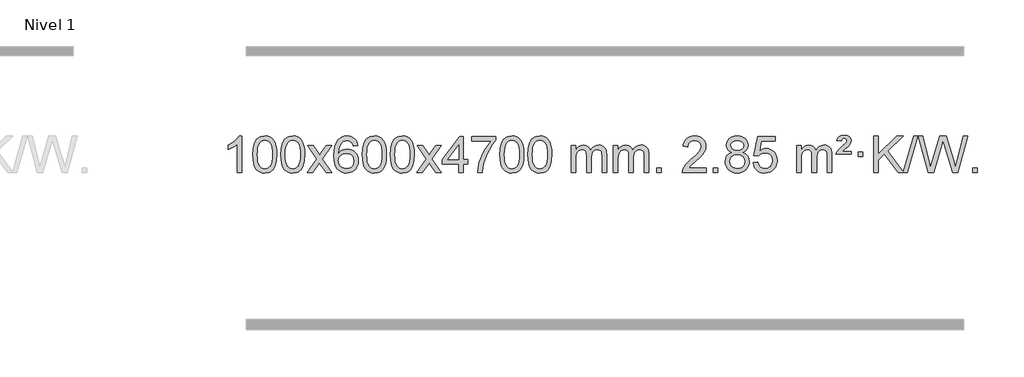
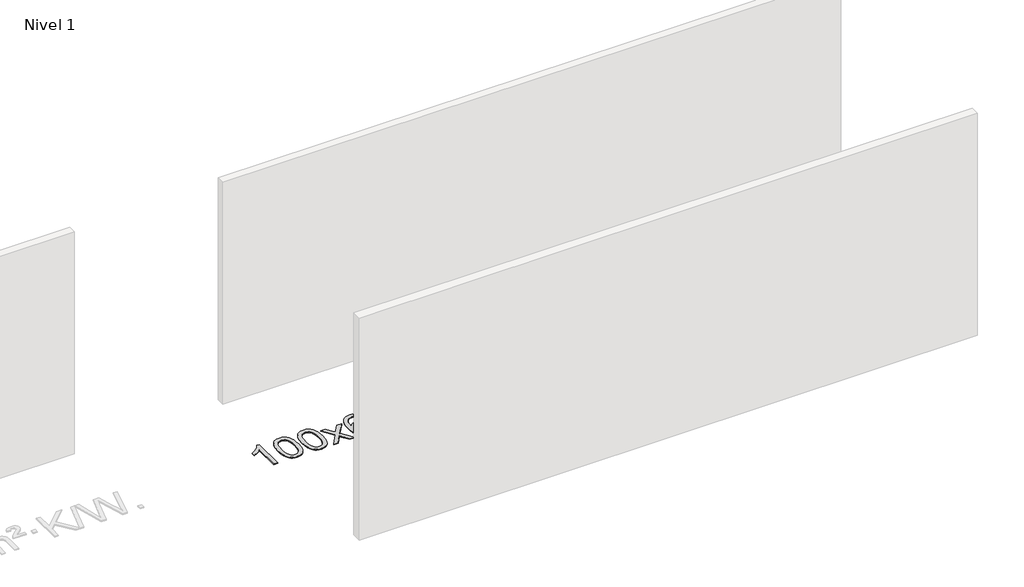
# One storey, part 7 of 12: 1 proxy.
"""IFC4 building model written with IfcOpenShell, lengths in millimetres."""

import ifcopenshell
import ifcopenshell.guid

model = None  # the IFC model being written
_history = None  # IfcOwnerHistory: only IFC2X3 demands one
_inside = {}  # id of a spatial element -> (the spatial element, [elements in it])
_under = {}  # id of a project, library or spatial element -> (it, [spatial elements below it])
_declared = {}  # id of a project -> (the project, [libraries it declares])
_typed = {}  # id of a type object -> (the type object, [elements of that type])
_made_of = {}  # id of a material, layer set ... -> (it, [elements and type objects made of it])


def new_model(schema):
    """Start an empty IFC model of exactly this schema.

    Asked for "IFC4X3", IfcOpenShell would pick the latest addendum, in which some entities
    have other attributes; the version numbers below select the first issue.
    IFC2X3 requires an IfcOwnerHistory on every rooted entity: one is made here for all.
    """
    global model, _history
    if schema == "IFC4X3":
        model = ifcopenshell.file(schema_version=(4, 3, 0, 0))
    else:
        model = ifcopenshell.file(schema=schema)
    _inside.clear()
    _under.clear()
    _declared.clear()
    _typed.clear()
    _made_of.clear()
    _history = None
    if model.schema == "IFC2X3":
        org = make("IfcOrganization", Name="unknown")
        user = make(
            "IfcPersonAndOrganization",
            ThePerson=make("IfcPerson", FamilyName="unknown"),
            TheOrganization=org,
        )
        app = make(
            "IfcApplication",
            ApplicationDeveloper=org,
            Version="unknown",
            ApplicationFullName="unknown",
            ApplicationIdentifier="unknown",
        )
        _history = make(
            "IfcOwnerHistory",
            OwningUser=user,
            OwningApplication=app,
            ChangeAction="ADDED",
            CreationDate=0,
        )
    return model


def make(cls, **values):
    """One entity of the class cls with the attributes given. An attribute that is None is left unset."""
    return model.create_entity(
        cls, **{name: value for name, value in values.items() if value is not None}
    )


def rooted(cls, **values):
    """An entity with a GlobalId (a new one), such as an element, a storey or a relation."""
    return make(cls, GlobalId=ifcopenshell.guid.new(), OwnerHistory=_history, **values)


def si_unit(unit_type, name, prefix=None):
    """IfcSIUnit, for example si_unit("LENGTHUNIT", "METRE", prefix="MILLI")."""
    return make("IfcSIUnit", UnitType=unit_type, Prefix=prefix, Name=name)


def assignment(units):
    """IfcUnitAssignment: the units of a project."""
    return None if units is None else make("IfcUnitAssignment", Units=units)


def point(xyz):
    """IfcCartesianPoint."""
    return None if xyz is None else make("IfcCartesianPoint", Coordinates=xyz)


def direction(xyz):
    """IfcDirection."""
    return None if xyz is None else make("IfcDirection", DirectionRatios=xyz)


def frame(location, z_axis=None, x_axis=None):
    """IfcAxis2Placement3D, a coordinate frame: its origin and axes. An axis left out is left unset."""
    return make(
        "IfcAxis2Placement3D",
        Location=point(location),
        Axis=direction(z_axis),
        RefDirection=direction(x_axis),
    )


def origin():
    """The frame at (0, 0, 0) with its axes left unset."""
    return frame((0.0, 0.0, 0.0))


def origin_with_axes():
    """The frame at (0, 0, 0) with the z axis (0, 0, 1) and the x axis (1, 0, 0) written out."""
    return frame((0.0, 0.0, 0.0), z_axis=(0.0, 0.0, 1.0), x_axis=(1.0, 0.0, 0.0))


def place(relative_to, where):
    """IfcLocalPlacement: puts the frame where relative to a parent placement (None: the world)."""
    return make(
        "IfcLocalPlacement", PlacementRelTo=relative_to, RelativePlacement=where
    )


def context(
    kind, dimensions, precision=None, world=None, true_north=None, identifier=None
):
    """IfcGeometricRepresentationContext, for example the 3D "Model" context."""
    return make(
        "IfcGeometricRepresentationContext",
        ContextIdentifier=identifier,
        ContextType=kind,
        CoordinateSpaceDimension=dimensions,
        Precision=precision,
        WorldCoordinateSystem=world,
        TrueNorth=true_north,
    )


def project(units=None, contexts=None):
    """IfcProject with its units and contexts."""
    return rooted(
        "IfcProject",
        Name="project",
        RepresentationContexts=contexts,
        UnitsInContext=assignment(units),
    )


def spatial(cls, under=None, at=None, **own):
    """A site, building, storey or space (cls), placed at a placement, below another one or the project."""
    s = rooted(cls, ObjectPlacement=at, **own)
    if under is not None:
        _under.setdefault(under.id(), (under, []))[1].append(s)
    return s


def polyline(points):
    """IfcPolyline through the points."""
    return make("IfcPolyline", Points=[point(p) for p in points])


def outline(outer, holes=None, kind="AREA"):
    """IfcArbitraryClosedProfileDef: a profile drawn as a closed curve; with holes, ...WithVoids."""
    if holes is None:
        return make("IfcArbitraryClosedProfileDef", ProfileType=kind, OuterCurve=outer)
    return make(
        "IfcArbitraryProfileDefWithVoids",
        ProfileType=kind,
        OuterCurve=outer,
        InnerCurves=holes,
    )


def extrude(swept, where, along, depth):
    """IfcExtrudedAreaSolid: the profile swept, set in the frame where, extruded along a direction by depth."""
    return make(
        "IfcExtrudedAreaSolid",
        SweptArea=swept,
        Position=where,
        ExtrudedDirection=direction(along),
        Depth=depth,
    )


def shape(context_of_items, identifier, shape_type, items):
    """IfcShapeRepresentation: the items that make up one representation, for example the "Body"."""
    return make(
        "IfcShapeRepresentation",
        ContextOfItems=context_of_items,
        RepresentationIdentifier=identifier,
        RepresentationType=shape_type,
        Items=items,
    )


def made_of(thing, what):
    """Note that an element or type object is made of a material, layer set ...; save() writes the relation."""
    if what is not None:
        _made_of.setdefault(what.id(), (what, []))[1].append(thing)
    return thing


def element(
    cls,
    number,
    at=None,
    inside=None,
    cuts=None,
    type_object=None,
    material=None,
    context=None,
    identifier="Body",
    shape_type=None,
    held_by="IfcProductDefinitionShape",
    body=None,
    shapes=None,
    **own,
):
    """One element of the class cls, such as IfcWall. Its Tag is "e" and its number.

    at: its placement. inside: the storey or other place that contains it. cuts: it is an
    opening in that element (IfcRelVoidsElement). A single representation is given by context,
    identifier, shape_type and body (its items); several are given by shapes. held_by: the class
    of the entity that holds the representations. save() writes the other relations.
    """
    e = rooted(cls, Tag="e%d" % number, ObjectPlacement=at, **own)
    if body is not None:
        shapes = [shape(context, identifier, shape_type, body)]
    if shapes is not None:
        e.Representation = make(held_by, Representations=shapes)
    if inside is not None:
        _inside.setdefault(inside.id(), (inside, []))[1].append(e)
    if cuts is not None:
        rooted(
            "IfcRelVoidsElement", RelatingBuildingElement=cuts, RelatedOpeningElement=e
        )
    if type_object is not None:
        _typed.setdefault(type_object.id(), (type_object, []))[1].append(e)
    return made_of(e, material)


def aggregate(whole, parts):
    """IfcRelAggregates: a whole, such as a stair, and the parts it consists of."""
    return rooted("IfcRelAggregates", RelatingObject=whole, RelatedObjects=parts)


def save(model, path):
    """Write the relations noted so far, then the file.

    IfcRelAggregates (storeys below a building ...), IfcRelContainedInSpatialStructure (elements
    in a storey), IfcRelDefinesByType, IfcRelAssociatesMaterial and IfcRelDeclares: one each for
    every whole, place, type object, material and project.
    """
    for whole, parts in _under.values():
        aggregate(whole, parts)
    for where, things in _inside.values():
        rooted(
            "IfcRelContainedInSpatialStructure",
            RelatedElements=things,
            RelatingStructure=where,
        )
    for kind, things in _typed.values():
        rooted("IfcRelDefinesByType", RelatedObjects=things, RelatingType=kind)
    for what, things in _made_of.values():
        rooted("IfcRelAssociatesMaterial", RelatedObjects=things, RelatingMaterial=what)
    for by, libraries in _declared.values():
        rooted("IfcRelDeclares", RelatingContext=by, RelatedDefinitions=libraries)
    model.write(path)


model = new_model("IFC4")

# Units and contexts
model_context = context("Model", 3, world=origin())
ifc_project = project(units=[si_unit("LENGTHUNIT", "METRE", prefix="MILLI")], contexts=[model_context])

# Site, building, storey
site = spatial("IfcSite", under=ifc_project)
building = spatial("IfcBuilding", under=site)
storey = spatial("IfcBuildingStorey", under=building, Name="Nivel 1", Elevation=0.0)

# Proxy
placement = place(None, origin())
element("IfcBuildingElementProxy", 1, Name="Texto de modelo 1", ObjectType="Texto de modelo 1", at=placement, inside=storey, context=model_context, shape_type="SweptSolid", body=[
    extrude(outline(polyline([(-1875.4615788, -9399.579453), (-1925.6897338, -9399.579453), (-1925.6897338, -9086.4382987), (-1946.6590076, -9103.3976587), (-1973.2691385, -9120.3324932), (-2026.146044, -9145.6918254), (-2026.146044, -9098.2105225), (-1986.6968314, -9076.7507395), (-1952.520594, -9051.219729), (-1925.5793692, -9024.0700378), (-1907.8351943, -8997.7542124), (-1875.4615788, -8997.7542124), (-1875.4615788, -9399.579453)])), origin_with_axes(), (0.0, 0.0, 1.0), 10.0),
    extrude(outline(polyline([(-1756.1697105, -9201.9041943), (-1752.4786278, -9137.5861588), (-1741.4053797, -9086.2911459), (-1723.0603309, -9047.2343407), (-1711.2022679, -9032.0009605), (-1697.5538459, -9019.6309284), (-1682.0690796, -9010.0598651), (-1664.7019837, -9003.2233914), (-1624.3208034, -8997.7542124), (-1593.3696649, -9000.991574), (-1565.6558879, -9010.7036586), (-1542.4793222, -9026.5103217), (-1525.1398175, -9048.0314184), (-1512.0432185, -9075.0830078), (-1501.5953698, -9107.4811488), (-1494.7527647, -9148.6226186), (-1492.4718963, -9201.9041943), (-1496.1261908, -9265.8543477), (-1507.0890743, -9317.0267333), (-1525.3237585, -9356.1203266), (-1537.1542303, -9371.3996922), (-1550.7934553, -9383.8341036), (-1566.2966157, -9393.4695462), (-1583.7188939, -9400.3520052), (-1624.3208034, -9405.8579724), (-1651.9855294, -9403.4667394), (-1676.5109958, -9396.2930405), (-1697.8972024, -9384.3368757), (-1716.1441494, -9367.5982449), (-1733.6553324, -9337.3399508), (-1746.1633202, -9299.6381776), (-1753.6681129, -9254.4929255), (-1756.1697105, -9201.9041943)]), holes=[polyline([(-1705.9415554, -9201.8060924), (-1704.4700274, -9245.4706195), (-1700.0554435, -9280.8148822), (-1692.6978036, -9307.8388804), (-1682.3971077, -9326.5426142), (-1669.9381708, -9339.2682656), (-1656.1058078, -9348.3580165), (-1640.9000186, -9353.8118671), (-1624.3208034, -9355.6298173), (-1607.7415881, -9353.8057357), (-1592.535799, -9348.3334911), (-1578.703436, -9339.2130833), (-1566.2444991, -9326.4445124), (-1555.9438032, -9307.7101217), (-1548.5861633, -9280.6922549), (-1544.1715794, -9245.3909118), (-1542.7000514, -9201.8060924), (-1544.1225284, -9159.2973278), (-1548.3899596, -9124.5753989), (-1555.5023448, -9097.6403055), (-1565.4596842, -9078.4920476), (-1577.7101546, -9065.1440625), (-1591.7019332, -9055.6097875), (-1607.4350198, -9049.8892225), (-1624.9094146, -9047.9823675), (-1641.4027907, -9049.6623619), (-1656.3510624, -9054.7023452), (-1669.7542298, -9063.1023175), (-1681.6122928, -9074.8622786), (-1692.2563452, -9095.708925), (-1699.8592397, -9123.8151094), (-1704.4209765, -9159.1808319), (-1705.9415554, -9201.8060924)])]), origin_with_axes(), (0.0, 0.0, 1.0), 10.0),
    extrude(outline(polyline([(-1448.5222606, -9201.9041943), (-1444.8311779, -9137.5861588), (-1433.7579299, -9086.2911459), (-1415.4128811, -9047.2343407), (-1403.5548181, -9032.0009605), (-1389.9063961, -9019.6309284), (-1374.4216298, -9010.0598651), (-1357.0545339, -9003.2233914), (-1316.6733536, -8997.7542124), (-1285.722215, -9000.991574), (-1258.0084381, -9010.7036586), (-1234.8318724, -9026.5103217), (-1217.4923677, -9048.0314184), (-1204.3957686, -9075.0830078), (-1193.94792, -9107.4811488), (-1187.1053149, -9148.6226186), (-1184.8244465, -9201.9041943), (-1188.478741, -9265.8543477), (-1199.4416244, -9317.0267333), (-1217.6763087, -9356.1203266), (-1229.5067805, -9371.3996922), (-1243.1460055, -9383.8341036), (-1258.6491659, -9393.4695462), (-1276.071444, -9400.3520052), (-1316.6733536, -9405.8579724), (-1344.3380796, -9403.4667394), (-1368.8635459, -9396.2930405), (-1390.2497526, -9384.3368757), (-1408.4966996, -9367.5982449), (-1426.0078825, -9337.3399508), (-1438.5158704, -9299.6381776), (-1446.0206631, -9254.4929255), (-1448.5222606, -9201.9041943)]), holes=[polyline([(-1398.2941056, -9201.8060924), (-1396.8225776, -9245.4706195), (-1392.4079936, -9280.8148822), (-1385.0503537, -9307.8388804), (-1374.7496579, -9326.5426142), (-1362.290721, -9339.2682656), (-1348.4583579, -9348.3580165), (-1333.2525688, -9353.8118671), (-1316.6733536, -9355.6298173), (-1300.0941383, -9353.8057357), (-1284.8883492, -9348.3334911), (-1271.0559862, -9339.2130833), (-1258.5970493, -9326.4445124), (-1248.2963534, -9307.7101217), (-1240.9387135, -9280.6922549), (-1236.5241295, -9245.3909118), (-1235.0526016, -9201.8060924), (-1236.4750786, -9159.2973278), (-1240.7425098, -9124.5753989), (-1247.854895, -9097.6403055), (-1257.8122343, -9078.4920476), (-1270.0627048, -9065.1440625), (-1284.0544833, -9055.6097875), (-1299.78757, -9049.8892225), (-1317.2619648, -9047.9823675), (-1333.7553409, -9049.6623619), (-1348.7036126, -9054.7023452), (-1362.10678, -9063.1023175), (-1373.9648429, -9074.8622786), (-1384.6088953, -9095.708925), (-1392.2117899, -9123.8151094), (-1396.7735266, -9159.1808319), (-1398.2941056, -9201.8060924)])]), origin_with_axes(), (0.0, 0.0, 1.0), 10.0),
    extrude(outline(polyline([(-1159.7103689, -9399.579453), (-1052.3869282, -9251.2494325), (-1153.4318496, -9104.4890419), (-1093.0011005, -9104.4890419), (-1044.2444734, -9175.122385), (-1021.4848406, -9208.4770192), (-1001.7663657, -9181.2047007), (-946.2407099, -9104.4890419), (-885.8099608, -9104.4890419), (-991.9561791, -9251.2494325), (-889.7340354, -9399.579453), (-950.1647845, -9399.579453), (-1011.6746541, -9310.4048574), (-1022.9563686, -9294.1199477), (-1099.2796199, -9399.579453), (-1159.7103689, -9399.579453)])), origin_with_axes(), (0.0, 0.0, 1.0), 10.0),
    extrude(outline(polyline([(-600.9221437, -9104.4890419), (-651.1502988, -9110.7675613), (-659.2437027, -9085.874213), (-670.1820607, -9068.8780648), (-692.9662189, -9053.2062918), (-720.5083176, -9047.9823675), (-743.8565616, -9051.0235253), (-765.8313794, -9060.1469988), (-784.7037258, -9079.3627017), (-800.1179814, -9105.8134171), (-810.5290419, -9143.227016), (-814.3918028, -9195.3313693), (-794.2441322, -9171.8237098), (-770.0988106, -9155.2567573), (-743.3047386, -9145.434308), (-715.2108169, -9142.1601582), (-691.077758, -9144.398107), (-668.8086346, -9151.1119534), (-648.4034466, -9162.3016975), (-629.862194, -9177.9673391), (-614.4540698, -9197.1769106), (-603.4482668, -9218.9984443), (-596.844785, -9243.4319401), (-594.6436244, -9270.4773982), (-598.7884282, -9306.4439945), (-611.2228396, -9339.786366), (-630.9167891, -9368.0642287), (-656.840207, -9388.8372987), (-687.815871, -9401.602804), (-722.6665587, -9405.8579724), (-752.6090874, -9403.0375437), (-779.6514797, -9394.5762579), (-803.7937357, -9380.4741147), (-825.0358552, -9360.7311143), (-842.3539001, -9334.5133908), (-854.7239322, -9300.9870783), (-862.1459515, -9260.1521768), (-864.6199579, -9212.0086864), (-861.8731057, -9158.0342663), (-853.632549, -9111.9693092), (-839.8982878, -9073.8138149), (-820.6703222, -9043.5677835), (-799.8298072, -9023.5243462), (-775.6660915, -9009.2076052), (-748.179175, -9000.6175606), (-717.3690579, -8997.7542124), (-694.2354118, -8999.5261773), (-673.2967949, -9004.8420722), (-654.5532073, -9013.7018969), (-638.0046489, -9026.1056515), (-624.0987094, -9041.6364031), (-613.2829788, -9059.8772186), (-605.5574569, -9080.8280983), (-600.9221437, -9104.4890419)]), holes=[polyline([(-814.3918028, -9269.6925832), (-811.485535, -9291.9494439), (-802.7667318, -9313.2007605), (-789.2286743, -9331.472233), (-771.8646442, -9344.7895612), (-750.9076332, -9352.9197533), (-726.5906333, -9355.6298173), (-693.4444655, -9350.0134855), (-679.5293291, -9342.9930708), (-667.3861575, -9333.1644901), (-657.5361171, -9320.9262824), (-650.500374, -9306.6769865), (-644.8717794, -9272.1451299), (-650.4267976, -9238.9989621), (-657.3705702, -9225.3781312), (-667.0918519, -9213.725469), (-679.2718117, -9204.3904634), (-693.5916183, -9197.7226022), (-728.6507725, -9192.3883133), (-761.7478893, -9197.7226022), (-789.4248781, -9213.725469), (-800.3479076, -9225.2248471), (-808.1500716, -9238.3858254), (-812.83137, -9253.2084042), (-814.3918028, -9269.6925832)])]), origin_with_axes(), (0.0, 0.0, 1.0), 10.0),
    extrude(outline(polyline([(-550.6939887, -9201.9041943), (-547.002906, -9137.5861588), (-535.9296579, -9086.2911459), (-517.5846091, -9047.2343407), (-505.7265461, -9032.0009605), (-492.0781241, -9019.6309284), (-476.5933578, -9010.0598651), (-459.2262619, -9003.2233914), (-418.8450816, -8997.7542124), (-387.8939431, -9000.991574), (-360.1801661, -9010.7036586), (-337.0036004, -9026.5103217), (-319.6640957, -9048.0314184), (-306.5674967, -9075.0830078), (-296.119648, -9107.4811488), (-289.2770429, -9148.6226186), (-286.9961745, -9201.9041943), (-290.650469, -9265.8543477), (-301.6133525, -9317.0267333), (-319.8480367, -9356.1203266), (-331.6785085, -9371.3996922), (-345.3177335, -9383.8341036), (-360.8208939, -9393.4695462), (-378.2431721, -9400.3520052), (-418.8450816, -9405.8579724), (-446.5098076, -9403.4667394), (-471.035274, -9396.2930405), (-492.4214806, -9384.3368757), (-510.6684276, -9367.5982449), (-528.1796106, -9337.3399508), (-540.6875984, -9299.6381776), (-548.1923911, -9254.4929255), (-550.6939887, -9201.9041943)]), holes=[polyline([(-500.4658336, -9201.8060924), (-498.9943056, -9245.4706195), (-494.5797217, -9280.8148822), (-487.2220818, -9307.8388804), (-476.9213859, -9326.5426142), (-464.462449, -9339.2682656), (-450.630086, -9348.3580165), (-435.4242968, -9353.8118671), (-418.8450816, -9355.6298173), (-402.2658663, -9353.8057357), (-387.0600772, -9348.3334911), (-373.2277142, -9339.2130833), (-360.7687773, -9326.4445124), (-350.4680814, -9307.7101217), (-343.1104415, -9280.6922549), (-338.6958576, -9245.3909118), (-337.2243296, -9201.8060924), (-338.6468066, -9159.2973278), (-342.9142378, -9124.5753989), (-350.026623, -9097.6403055), (-359.9839624, -9078.4920476), (-372.2344328, -9065.1440625), (-386.2262114, -9055.6097875), (-401.959298, -9049.8892225), (-419.4336928, -9047.9823675), (-435.9270689, -9049.6623619), (-450.8753406, -9054.7023452), (-464.278508, -9063.1023175), (-476.136571, -9074.8622786), (-486.7806234, -9095.708925), (-494.3835179, -9123.8151094), (-498.9452547, -9159.1808319), (-500.4658336, -9201.8060924)])]), origin_with_axes(), (0.0, 0.0, 1.0), 10.0),
    extrude(outline(polyline([(-243.0465388, -9201.9041943), (-239.3554561, -9137.5861588), (-228.2822081, -9086.2911459), (-209.9371593, -9047.2343407), (-198.0790963, -9032.0009605), (-184.4306743, -9019.6309284), (-168.945908, -9010.0598651), (-151.5788121, -9003.2233914), (-111.1976318, -8997.7542124), (-80.2464932, -9000.991574), (-52.5327163, -9010.7036586), (-29.3561506, -9026.5103217), (-12.0166459, -9048.0314184), (1.0799532, -9075.0830078), (11.5278018, -9107.4811488), (18.3704069, -9148.6226186), (20.6512753, -9201.9041943), (16.9969808, -9265.8543477), (6.0340974, -9317.0267333), (-12.2005869, -9356.1203266), (-24.0310587, -9371.3996922), (-37.6702837, -9383.8341036), (-53.1734441, -9393.4695462), (-70.5957222, -9400.3520052), (-111.1976318, -9405.8579724), (-138.8623578, -9403.4667394), (-163.3878241, -9396.2930405), (-184.7740308, -9384.3368757), (-203.0209778, -9367.5982449), (-220.5321607, -9337.3399508), (-233.0401486, -9299.6381776), (-240.5449413, -9254.4929255), (-243.0465388, -9201.9041943)]), holes=[polyline([(-192.8183838, -9201.8060924), (-191.3468558, -9245.4706195), (-186.9322718, -9280.8148822), (-179.5746319, -9307.8388804), (-169.2739361, -9326.5426142), (-156.8149992, -9339.2682656), (-142.9826361, -9348.3580165), (-127.776847, -9353.8118671), (-111.1976318, -9355.6298173), (-94.6184165, -9353.8057357), (-79.4126274, -9348.3334911), (-65.5802644, -9339.2130833), (-53.1213275, -9326.4445124), (-42.8206316, -9307.7101217), (-35.4629917, -9280.6922549), (-31.0484077, -9245.3909118), (-29.5768798, -9201.8060924), (-30.9993568, -9159.2973278), (-35.266788, -9124.5753989), (-42.3791732, -9097.6403055), (-52.3365125, -9078.4920476), (-64.586983, -9065.1440625), (-78.5787615, -9055.6097875), (-94.3118482, -9049.8892225), (-111.786243, -9047.9823675), (-128.2796191, -9049.6623619), (-143.2278908, -9054.7023452), (-156.6310582, -9063.1023175), (-168.4891211, -9074.8622786), (-179.1331735, -9095.708925), (-186.7360681, -9123.8151094), (-191.2978048, -9159.1808319), (-192.8183838, -9201.8060924)])]), origin_with_axes(), (0.0, 0.0, 1.0), 10.0),
    extrude(outline(polyline([(45.7653528, -9399.579453), (153.0887936, -9251.2494325), (52.0438722, -9104.4890419), (112.4746213, -9104.4890419), (161.2312484, -9175.122385), (183.9908812, -9208.4770192), (203.7093561, -9181.2047007), (259.2350119, -9104.4890419), (319.665761, -9104.4890419), (213.5195426, -9251.2494325), (315.7416864, -9399.579453), (255.3109373, -9399.579453), (193.8010677, -9310.4048574), (182.5193532, -9294.1199477), (106.1961019, -9399.579453), (45.7653528, -9399.579453)])), origin_with_axes(), (0.0, 0.0, 1.0), 10.0),
    extrude(outline(polyline([(510.3757873, -9399.579453), (510.3757873, -9305.4016622), (328.2987251, -9305.4016622), (328.2987251, -9255.1735072), (522.9328261, -9004.0327318), (560.6039424, -9004.0327318), (560.6039424, -9255.1735072), (610.8320974, -9255.1735072), (610.8320974, -9305.4016622), (560.6039424, -9305.4016622), (560.6039424, -9399.579453), (510.3757873, -9399.579453)]), holes=[polyline([(510.3757873, -9255.1735072), (510.3757873, -9099.9763561), (390.1029003, -9255.1735072), (510.3757873, -9255.1735072)])]), origin_with_axes(), (0.0, 0.0, 1.0), 10.0),
    extrude(outline(polyline([(654.7817331, -9054.2608869), (654.7817331, -9004.0327318), (918.4795473, -9004.0327318), (918.4795473, -9044.646904), (880.8942701, -9092.214046), (843.6768749, -9152.7061088), (810.8495382, -9220.6048623), (786.4344365, -9290.3920768), (774.4660089, -9342.6067947), (767.795082, -9399.579453), (717.566927, -9399.579453), (722.9993178, -9347.8061935), (737.5306566, -9286.2717985), (760.7685359, -9221.0463207), (792.3205484, -9158.1998132), (829.1577988, -9101.3865704), (868.2513922, -9054.2608869), (654.7817331, -9054.2608869)])), origin_with_axes(), (0.0, 0.0, 1.0), 10.0),
    extrude(outline(polyline([(962.429183, -9201.9041943), (966.1202656, -9137.5861588), (977.1935137, -9086.2911459), (995.5385625, -9047.2343407), (1007.3966255, -9032.0009605), (1021.0450475, -9019.6309284), (1036.5298138, -9010.0598651), (1053.8969097, -9003.2233914), (1094.27809, -8997.7542124), (1125.2292286, -9000.991574), (1152.9430055, -9010.7036586), (1176.1195712, -9026.5103217), (1193.4590759, -9048.0314184), (1206.555675, -9075.0830078), (1217.0035236, -9107.4811488), (1223.8461287, -9148.6226186), (1226.1269971, -9201.9041943), (1222.4727026, -9265.8543477), (1211.5098192, -9317.0267333), (1193.2751349, -9356.1203266), (1181.4446631, -9371.3996922), (1167.8054381, -9383.8341036), (1152.3022777, -9393.4695462), (1134.8799996, -9400.3520052), (1094.27809, -9405.8579724), (1066.613364, -9403.4667394), (1042.0878976, -9396.2930405), (1020.701691, -9384.3368757), (1002.454744, -9367.5982449), (984.9435611, -9337.3399508), (972.4355732, -9299.6381776), (964.9307805, -9254.4929255), (962.429183, -9201.9041943)]), holes=[polyline([(1012.657338, -9201.8060924), (1014.128866, -9245.4706195), (1018.54345, -9280.8148822), (1025.9010899, -9307.8388804), (1036.2017857, -9326.5426142), (1048.6607226, -9339.2682656), (1062.4930856, -9348.3580165), (1077.6988748, -9353.8118671), (1094.27809, -9355.6298173), (1110.8573053, -9353.8057357), (1126.0630944, -9348.3334911), (1139.8954574, -9339.2130833), (1152.3543943, -9326.4445124), (1162.6550902, -9307.7101217), (1170.0127301, -9280.6922549), (1174.427314, -9245.3909118), (1175.898842, -9201.8060924), (1174.476365, -9159.2973278), (1170.2089338, -9124.5753989), (1163.0965486, -9097.6403055), (1153.1392093, -9078.4920476), (1140.8887388, -9065.1440625), (1126.8969603, -9055.6097875), (1111.1638736, -9049.8892225), (1093.6894788, -9047.9823675), (1077.1961027, -9049.6623619), (1062.247831, -9054.7023452), (1048.8446636, -9063.1023175), (1036.9866007, -9074.8622786), (1026.3425483, -9095.708925), (1018.7396537, -9123.8151094), (1014.1779169, -9159.1808319), (1012.657338, -9201.8060924)])]), origin_with_axes(), (0.0, 0.0, 1.0), 10.0),
    extrude(outline(polyline([(1270.0766328, -9201.9041943), (1273.7677155, -9137.5861588), (1284.8409635, -9086.2911459), (1303.1860124, -9047.2343407), (1315.0440753, -9032.0009605), (1328.6924974, -9019.6309284), (1344.1772637, -9010.0598651), (1361.5443595, -9003.2233914), (1401.9255399, -8997.7542124), (1432.8766784, -9000.991574), (1460.5904554, -9010.7036586), (1483.7670211, -9026.5103217), (1501.1065258, -9048.0314184), (1514.2031248, -9075.0830078), (1524.6509735, -9107.4811488), (1531.4935786, -9148.6226186), (1533.7744469, -9201.9041943), (1530.1201525, -9265.8543477), (1519.157269, -9317.0267333), (1500.9225848, -9356.1203266), (1489.0921129, -9371.3996922), (1475.452888, -9383.8341036), (1459.9497276, -9393.4695462), (1442.5274494, -9400.3520052), (1401.9255399, -9405.8579724), (1374.2608138, -9403.4667394), (1349.7353475, -9396.2930405), (1328.3491408, -9384.3368757), (1310.1021939, -9367.5982449), (1292.5910109, -9337.3399508), (1280.0830231, -9299.6381776), (1272.5782304, -9254.4929255), (1270.0766328, -9201.9041943)]), holes=[polyline([(1320.3047879, -9201.8060924), (1321.7763158, -9245.4706195), (1326.1908998, -9280.8148822), (1333.5485397, -9307.8388804), (1343.8492356, -9326.5426142), (1356.3081725, -9339.2682656), (1370.1405355, -9348.3580165), (1385.3463246, -9353.8118671), (1401.9255399, -9355.6298173), (1418.5047551, -9353.8057357), (1433.7105442, -9348.3334911), (1447.5429073, -9339.2130833), (1460.0018442, -9326.4445124), (1470.30254, -9307.7101217), (1477.6601799, -9280.6922549), (1482.0747639, -9245.3909118), (1483.5462919, -9201.8060924), (1482.1238148, -9159.2973278), (1477.8563837, -9124.5753989), (1470.7439984, -9097.6403055), (1460.7866591, -9078.4920476), (1448.5361887, -9065.1440625), (1434.5444101, -9055.6097875), (1418.8113234, -9049.8892225), (1401.3369287, -9047.9823675), (1384.8435526, -9049.6623619), (1369.8952808, -9054.7023452), (1356.4921135, -9063.1023175), (1344.6340505, -9074.8622786), (1333.9899981, -9095.708925), (1326.3871035, -9123.8151094), (1321.8253668, -9159.1808319), (1320.3047879, -9201.8060924)])]), origin_with_axes(), (0.0, 0.0, 1.0), 10.0),
    extrude(outline(polyline([(1747.244106, -9399.579453), (1747.244106, -9104.4890419), (1797.4722611, -9104.4890419), (1797.4722611, -9153.0494653), (1812.5799483, -9130.7435537), (1832.0041177, -9113.2691589), (1855.0825815, -9101.9751816), (1881.1531522, -9098.2105225), (1909.0876584, -9102.048758), (1931.4794092, -9113.5634645), (1948.2057772, -9131.9943524), (1959.1441352, -9156.5811324), (1977.4523959, -9131.0439906), (1998.3358304, -9112.803175), (2021.794439, -9101.8586857), (2047.8282215, -9098.2105225), (2067.9360383, -9099.7280358), (2085.585177, -9104.2805755), (2100.7756377, -9111.8681416), (2113.5074204, -9122.4907342), (2123.5720587, -9136.2709806), (2130.761086, -9153.3315082), (2135.0745024, -9173.6723168), (2136.5123078, -9197.2934066), (2136.5123078, -9399.579453), (2086.2841528, -9399.579453), (2086.2841528, -9218.875817), (2085.1191931, -9193.8230531), (2081.6243142, -9176.9372695), (2075.0760146, -9165.3735121), (2064.7507933, -9156.2868268), (2051.4702533, -9150.4007149), (2036.0559977, -9148.4386776), (2008.8449928, -9153.4663982), (1986.6617085, -9168.54956), (1978.0563355, -9180.1194488), (1971.9096405, -9194.7182326), (1966.9922845, -9233.0024856), (1966.9922845, -9399.579453), (1916.7641294, -9399.579453), (1916.7641294, -9213.2840106), (1913.8578616, -9184.8835206), (1905.1390583, -9164.6254854), (1889.7983791, -9152.4853796), (1867.0264836, -9148.4386776), (1847.6758907, -9151.1364789), (1829.8458767, -9159.2298828), (1815.1305968, -9172.5226856), (1805.1242066, -9190.8186835), (1799.3852475, -9216.2025411), (1797.4722611, -9250.7589232), (1797.4722611, -9399.579453), (1747.244106, -9399.579453)])), origin_with_axes(), (0.0, 0.0, 1.0), 10.0),
    extrude(outline(polyline([(2211.8545404, -9399.579453), (2211.8545404, -9104.4890419), (2262.0826955, -9104.4890419), (2262.0826955, -9153.0494653), (2277.1903828, -9130.7435537), (2296.6145521, -9113.2691589), (2319.693016, -9101.9751816), (2345.7635867, -9098.2105225), (2373.6980929, -9102.048758), (2396.0898436, -9113.5634645), (2412.8162117, -9131.9943524), (2423.7545697, -9156.5811324), (2442.0628303, -9131.0439906), (2462.9462649, -9112.803175), (2486.4048734, -9101.8586857), (2512.438656, -9098.2105225), (2532.5464727, -9099.7280358), (2550.1956114, -9104.2805755), (2565.3860721, -9111.8681416), (2578.1178548, -9122.4907342), (2588.1824931, -9136.2709806), (2595.3715204, -9153.3315082), (2599.6849368, -9173.6723168), (2601.1227423, -9197.2934066), (2601.1227423, -9399.579453), (2550.8945872, -9399.579453), (2550.8945872, -9218.875817), (2549.7296276, -9193.8230531), (2546.2347486, -9176.9372695), (2539.6864491, -9165.3735121), (2529.3612278, -9156.2868268), (2516.0806877, -9150.4007149), (2500.6664321, -9148.4386776), (2473.4554272, -9153.4663982), (2451.2721429, -9168.54956), (2442.6667699, -9180.1194488), (2436.5200749, -9194.7182326), (2431.6027189, -9233.0024856), (2431.6027189, -9399.579453), (2381.3745638, -9399.579453), (2381.3745638, -9213.2840106), (2378.4682961, -9184.8835206), (2369.7494928, -9164.6254854), (2354.4088136, -9152.4853796), (2331.6369181, -9148.4386776), (2312.2863251, -9151.1364789), (2294.4563111, -9159.2298828), (2279.7410313, -9172.5226856), (2269.734641, -9190.8186835), (2263.9956819, -9216.2025411), (2262.0826955, -9250.7589232), (2262.0826955, -9399.579453), (2211.8545404, -9399.579453)])), origin_with_axes(), (0.0, 0.0, 1.0), 10.0),
    extrude(outline(polyline([(2689.0220137, -9399.579453), (2689.0220137, -9349.3512979), (2739.2501687, -9349.3512979), (2739.2501687, -9399.579453), (2689.0220137, -9399.579453)])), origin_with_axes(), (0.0, 0.0, 1.0), 10.0),
    extrude(outline(polyline([(3235.2532001, -9349.3512979), (3235.2532001, -9399.579453), (2971.555386, -9399.579453), (2972.6590319, -9381.8965918), (2976.9509885, -9364.9494945), (2989.3363491, -9337.8856424), (3007.4606687, -9311.6311307), (3033.6783922, -9284.1503456), (3070.3439644, -9253.4076736), (3124.545245, -9205.2641831), (3157.0660134, -9169.7267824), (3173.3263976, -9140.884834), (3178.7465256, -9112.8277005), (3173.6329659, -9087.6768347), (3158.2922867, -9066.7688747), (3134.7110508, -9052.6789943), (3104.875821, -9047.9823675), (3073.5445377, -9052.5686297), (3049.2030124, -9066.3274163), (3033.4944512, -9088.1796068), (3028.0620604, -9117.0460807), (2977.8339053, -9110.7675613), (2982.1534531, -9084.838012), (2990.0107994, -9062.1826125), (3001.4059442, -9042.8013627), (3016.3388875, -9026.6942627), (3034.4662728, -9014.0329907), (3055.4447436, -9004.989225), (3079.2742998, -8999.5629655), (3105.9549415, -8997.7542124), (3132.8747065, -8999.7653006), (3156.8330215, -9005.7985654), (3177.8298863, -9015.8540066), (3195.8653011, -9029.9316242), (3210.3506547, -9046.9890861), (3220.6973358, -9065.9840598), (3226.9053445, -9086.9165453), (3228.9746807, -9109.7865427), (3226.7428633, -9133.8092369), (3220.047411, -9157.4149983), (3208.1648225, -9181.4254299), (3190.3715967, -9206.6621347), (3162.0078949, -9236.7916701), (3118.4138784, -9275.4805933), (3060.6318797, -9323.795762), (3037.9703488, -9349.3512979), (3235.2532001, -9349.3512979)])), origin_with_axes(), (0.0, 0.0, 1.0), 10.0),
    extrude(outline(polyline([(3310.5954327, -9399.579453), (3310.5954327, -9349.3512979), (3360.8235878, -9349.3512979), (3360.8235878, -9399.579453), (3310.5954327, -9399.579453)])), origin_with_axes(), (0.0, 0.0, 1.0), 10.0),
    extrude(outline(polyline([(3515.6283314, -9178.2616447), (3488.7361575, -9165.0178929), (3469.8638112, -9147.0652515), (3458.7169867, -9124.7716026), (3455.0013785, -9098.5048281), (3457.0247295, -9078.0199324), (3463.0947824, -9059.2395565), (3473.2115373, -9042.1637006), (3487.3749941, -9026.7923645), (3504.9045712, -9014.088173), (3525.1196868, -9005.0137504), (3548.020341, -8999.5690969), (3573.6065338, -8997.7542124), (3599.3153539, -8999.6120165), (3622.3876864, -9005.1854287), (3642.8235312, -9014.4744491), (3660.6228884, -9027.4790776), (3675.0438626, -9043.1508506), (3685.3445585, -9060.4413044), (3691.524976, -9079.3504389), (3693.5851152, -9099.8782543), (3689.9185579, -9125.2989001), (3678.9188863, -9147.2124043), (3660.4634729, -9165.0546811), (3634.4296903, -9178.2616447), (3665.3440407, -9194.1909351), (3687.846156, -9217.6495436), (3701.5681544, -9247.5092989), (3706.1421539, -9282.6420295), (3703.8735483, -9307.6947933), (3697.0677314, -9330.6628926), (3685.7247032, -9351.5463272), (3669.8444637, -9370.3450971), (3650.2608789, -9385.88198), (3627.8078144, -9396.9797536), (3602.4852704, -9403.6384177), (3574.2932469, -9405.8579724), (3546.1012233, -9403.6292206), (3520.7786793, -9396.9429654), (3498.3256148, -9385.7992066), (3478.74203, -9370.1979443), (3462.8617905, -9351.26735), (3451.5187623, -9330.135595), (3444.7129454, -9306.8026795), (3442.4443398, -9281.2686033), (3447.2022803, -9244.7747094), (3461.4761017, -9214.7555386), (3484.53004, -9192.2411605), (3515.6283314, -9178.2616447)]), holes=[polyline([(3505.2295336, -9099.9763561), (3509.6809058, -9121.902123), (3523.0350222, -9139.413306), (3544.8994754, -9150.8912243), (3574.881858, -9154.717197), (3604.1652649, -9150.9157497), (3625.6986243, -9139.5114079), (3638.9423761, -9122.5888361), (3643.3569601, -9102.232699), (3638.7952233, -9081.1040098), (3625.1100131, -9063.629615), (3603.2823481, -9051.8941794), (3574.2932469, -9047.9823675), (3545.1202046, -9051.8083402), (3523.3293278, -9063.2862585), (3509.7544822, -9080.1107284), (3505.2295336, -9099.9763561)]), polyline([(3492.6724949, -9279.5027698), (3494.7694222, -9298.7184726), (3501.0602043, -9317.3210389), (3512.6730127, -9333.5446349), (3530.7360186, -9345.623427), (3552.3674799, -9353.1282197), (3574.6856543, -9355.6298173), (3608.8741544, -9350.3691048), (3622.7678311, -9343.7932141), (3634.5277922, -9334.5869672), (3650.5674472, -9310.6869002), (3655.9139988, -9281.0723996), (3650.3957689, -9250.9551269), (3633.8410791, -9226.5277625), (3621.762287, -9217.0854579), (3607.5988301, -9210.3409547), (3573.0179226, -9204.9453521), (3539.3076691, -9210.2673783), (3525.5703423, -9216.919911), (3513.9115487, -9226.2334569), (3497.9822583, -9250.1948375), (3492.6724949, -9279.5027698)])]), origin_with_axes(), (0.0, 0.0, 1.0), 10.0),
    extrude(outline(polyline([(3750.0917896, -9292.8446235), (3800.3199447, -9286.5661041), (3809.54152, -9316.7201649), (3825.630226, -9338.3148381), (3848.5124861, -9351.3010725), (3878.1147239, -9355.6298173), (3897.2445877, -9354.1245668), (3914.1181085, -9349.6088153), (3928.7352865, -9342.0825628), (3941.0961215, -9331.5458094), (3950.9247021, -9318.519721), (3957.9451169, -9303.5254641), (3963.5614487, -9267.6324441), (3958.3007361, -9233.8363514), (3951.7248455, -9219.9181493), (3942.5185986, -9207.9865099), (3930.6513385, -9198.4154467), (3916.0924086, -9191.5789729), (3878.8995389, -9186.1097939), (3854.533488, -9188.2925604), (3834.8027504, -9194.8408599), (3819.0451382, -9204.8717757), (3806.5984641, -9217.5023908), (3756.370309, -9211.2238715), (3800.3199447, -9004.0327318), (3994.9540456, -9004.0327318), (3994.9540456, -9054.2608869), (3840.934117, -9054.2608869), (3819.4498084, -9164.919791), (3837.1755892, -9152.2155994), (3855.3305657, -9143.1411769), (3873.9147378, -9137.6965234), (3892.9281056, -9135.8816388), (3917.3891926, -9138.1318504), (3939.8575855, -9144.882485), (3960.3332842, -9156.1335427), (3978.8162887, -9171.8850234), (3994.1171141, -9191.1743027), (4005.046275, -9213.038756), (4011.6037716, -9237.4783832), (4013.7896038, -9264.4931844), (4011.8214351, -9290.5147042), (4005.9169291, -9314.7213394), (3996.0760857, -9337.1130902), (3982.298905, -9357.6899565), (3961.4277331, -9378.7634634), (3937.073945, -9393.8159684), (3909.2375407, -9402.8474714), (3877.9185202, -9405.8579724), (3851.998168, -9403.9235262), (3828.5855447, -9398.1201877), (3807.6806503, -9388.447957), (3789.2834848, -9374.9068338), (3773.9765281, -9358.1712688), (3762.3422601, -9338.915712), (3754.3806805, -9317.1401636), (3750.0917896, -9292.8446235)])), origin_with_axes(), (0.0, 0.0, 1.0), 10.0),
    extrude(outline(polyline([(4227.2592628, -9399.579453), (4227.2592628, -9104.4890419), (4277.4874179, -9104.4890419), (4277.4874179, -9153.0494653), (4292.5951052, -9130.7435537), (4312.0192745, -9113.2691589), (4335.0977383, -9101.9751816), (4361.1683091, -9098.2105225), (4389.1028152, -9102.048758), (4411.494566, -9113.5634645), (4428.2209341, -9131.9943524), (4439.159292, -9156.5811324), (4457.4675527, -9131.0439906), (4478.3509873, -9112.803175), (4501.8095958, -9101.8586857), (4527.8433783, -9098.2105225), (4547.9511951, -9099.7280358), (4565.6003338, -9104.2805755), (4580.7907945, -9111.8681416), (4593.5225772, -9122.4907342), (4603.5872155, -9136.2709806), (4610.7762428, -9153.3315082), (4615.0896592, -9173.6723168), (4616.5274647, -9197.2934066), (4616.5274647, -9399.579453), (4566.2993096, -9399.579453), (4566.2993096, -9218.875817), (4565.1343499, -9193.8230531), (4561.639471, -9176.9372695), (4555.0911715, -9165.3735121), (4544.7659501, -9156.2868268), (4531.4854101, -9150.4007149), (4516.0711545, -9148.4386776), (4488.8601496, -9153.4663982), (4466.6768653, -9168.54956), (4458.0714923, -9180.1194488), (4451.9247973, -9194.7182326), (4447.0074413, -9233.0024856), (4447.0074413, -9399.579453), (4396.7792862, -9399.579453), (4396.7792862, -9213.2840106), (4393.8730184, -9184.8835206), (4385.1542152, -9164.6254854), (4369.813536, -9152.4853796), (4347.0416405, -9148.4386776), (4327.6910475, -9151.1364789), (4309.8610335, -9159.2298828), (4295.1457537, -9172.5226856), (4285.1393634, -9190.8186835), (4279.4004043, -9216.2025411), (4277.4874179, -9250.7589232), (4277.4874179, -9399.579453), (4227.2592628, -9399.579453)])), origin_with_axes(), (0.0, 0.0, 1.0), 10.0),
    extrude(outline(polyline([(4660.4771003, -9198.6668327), (4664.3030731, -9182.8479069), (4672.6417317, -9166.9799302), (4694.1505656, -9141.8413272), (4726.1072483, -9114.1030247), (4770.2530877, -9076.726214), (4777.3899984, -9065.1992448), (4779.7689686, -9053.3779701), (4777.8805077, -9041.2869152), (4772.215125, -9031.5012541), (4762.8463969, -9025.026531), (4749.8478997, -9022.8682899), (4737.4134883, -9024.4869707), (4728.5597949, -9029.343013), (4722.1341227, -9038.8098431), (4716.9837748, -9054.2608869), (4666.7556197, -9047.9823675), (4677.5958759, -9022.7701881), (4694.224142, -9005.2099542), (4717.9893189, -8994.9092583), (4750.2403072, -8991.475693), (4786.0229626, -8995.6082341), (4810.7691581, -9008.0058573), (4825.1901323, -9026.3386434), (4829.9971237, -9048.2766731), (4825.9013708, -9071.1834586), (4813.6141122, -9092.8149199), (4793.0862969, -9112.6314968), (4756.6169284, -9140.6886303), (4731.0123416, -9167.2742358), (4829.9971237, -9167.2742358), (4829.9971237, -9198.6668327), (4660.4771003, -9198.6668327)])), origin_with_axes(), (0.0, 0.0, 1.0), 10.0),
    extrude(outline(polyline([(4905.3393563, -9223.7809102), (4905.3393563, -9173.5527552), (4955.5675114, -9173.5527552), (4955.5675114, -9223.7809102), (4905.3393563, -9223.7809102)])), origin_with_axes(), (0.0, 0.0, 1.0), 10.0),
    extrude(outline(polyline([(5346.2091394, -9399.579453), (5192.7778219, -9196.9009991), (5125.0875348, -9261.4520265), (5125.0875348, -9399.579453), (5074.8593797, -9399.579453), (5074.8593797, -8997.7542124), (5125.0875348, -8997.7542124), (5125.0875348, -9194.4484525), (5331.1014521, -8997.7542124), (5401.3423877, -8997.7542124), (5228.388799, -9162.9577537), (5403.0424089, -9393.5349332), (5514.3557366, -8997.7542124), (5559.6787984, -8997.7542124), (5446.6654495, -9399.579453), (5407.6209071, -9399.579453), (5401.3423877, -9399.579453), (5346.2091394, -9399.579453)])), origin_with_axes(), (0.0, 0.0, 1.0), 10.0),
    extrude(outline(polyline([(5674.1636753, -9399.579453), (5564.5838917, -8997.7542124), (5616.3816766, -8997.7542124), (5679.9516854, -9261.844434), (5699.5720585, -9343.3670841), (5720.5658576, -9271.2622131), (5800.2245723, -8997.7542124), (5874.8800919, -8997.7542124), (5932.7601925, -9196.0180823), (5957.5554389, -9269.5944814), (5975.8269114, -9343.3670841), (5994.8586732, -9264.1988788), (6059.0172932, -8997.7542124), (6110.8150781, -8997.7542124), (6001.1371926, -9399.579453), (5947.4754723, -9399.579453), (5851.1394405, -9089.5775584), (5837.6994849, -9046.3146358), (5822.5917976, -9098.4067263), (5734.7906281, -9399.579453), (5674.1636753, -9399.579453)])), origin_with_axes(), (0.0, 0.0, 1.0), 10.0),
    extrude(outline(polyline([(6167.3217526, -9399.579453), (6167.3217526, -9349.3512979), (6217.5499077, -9349.3512979), (6217.5499077, -9399.579453), (6167.3217526, -9399.579453)])), origin_with_axes(), (0.0, 0.0, 1.0), 10.0),
])

save(model, "model.ifc")
